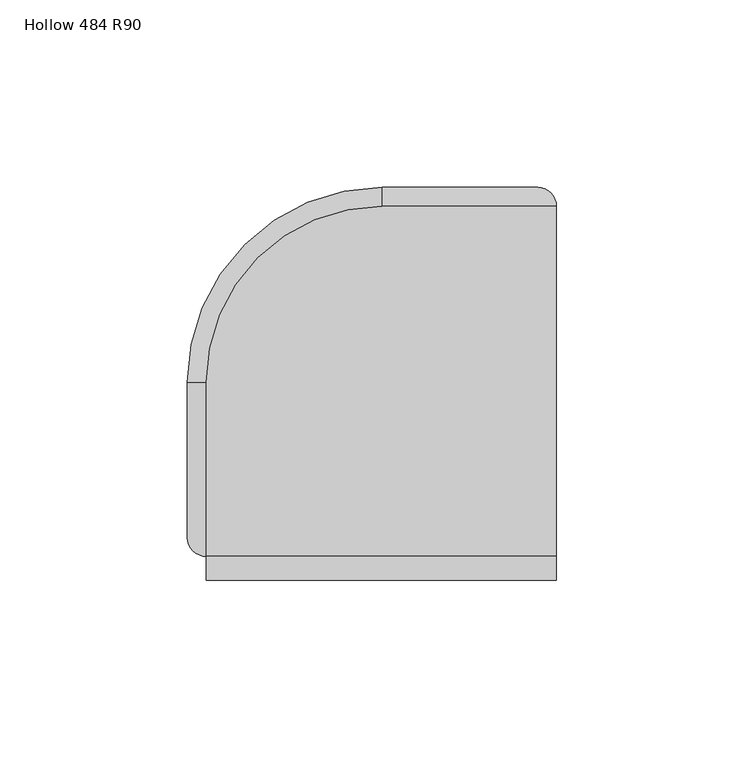
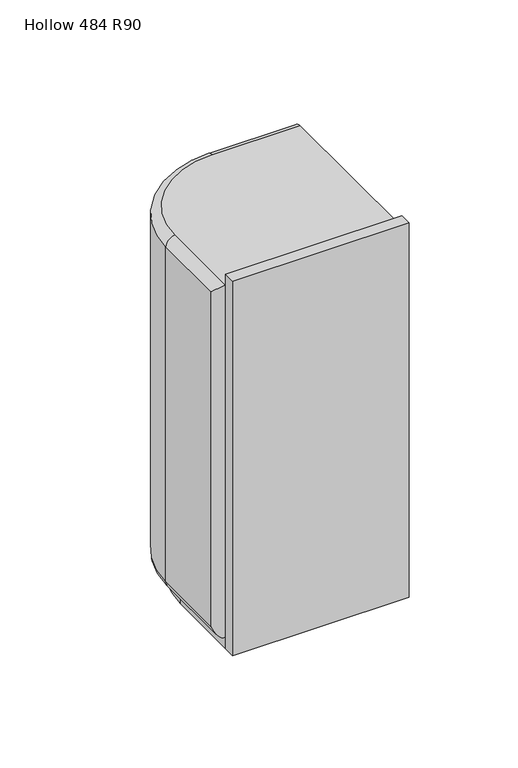
"""IFC4 building model written with IfcOpenShell, lengths in millimetres: plate geometry, Hollow 484 R90."""

from ifc_helpers import new_model, si_unit, point, frame, frame_2d, origin, place, context, project, spatial, polyline, circle_curve, ellipse_curve, trimmed, segment, composite_curve, outline, extrude, source, transform, mapped, element, save
from ifc_brep_helpers import plane_surface, cylinder_surface, revolved_surface, advanced_brep


def hollow_484_r90_ac2a7d80(model_context):
    return source(origin(), model_context, "Body", "SolidModel", [
        extrude(outline(polyline([(47.5999998, -49.2), (47.5999998, -55.6), (-45.8000002, -55.6), (-45.8000002, -49.2), (47.5999998, -49.2)])), frame((0.0, 0.0, -6.4), z_axis=(0.0, 0.0, 1.0), x_axis=(1.0, 0.0, 0.0)), (0.0, 0.0, 1.0), 209.6),
        extrude(outline(composite_curve([segment(trimmed(circle_curve(frame_2d((6.1999998, -7.778479)), 52.0), [point((-45.8000002, -7.778479))], [point((6.1999998, 44.221521))], False, "CARTESIAN"), True, "CONTINUOUS"), segment(polyline([(6.1999998, 44.221521), (47.5999998, 44.221521), (47.5999998, -49.2), (-45.8000002, -49.2), (-45.8000002, -7.778479)]), True, "CONTINUOUS")], self_intersect=False)), frame((0.0, 0.0, -6.4), z_axis=(0.0, 0.0, 1.0), x_axis=(1.0, 0.0, 0.0)), (0.0, 0.0, 1.0), 6.4),
        advanced_brep(
        [(-45.8000002, -49.2, 197.0), (47.5999998, -49.2, 197.0), (47.5999998, 44.2, 197.0), (1.1999998, 44.2, 197.0), (-45.8000002, -2.8, 197.0), (47.5999998, 44.2, 0.0), (47.5999998, -49.2, 0.0), (-45.8000002, -49.2, 0.0), (-45.8000002, -2.8, 0.0), (1.1999998, 44.2, 0.0), (1.1999998, 49.2, 4.9999958), (1.1999998, 49.2, 192.0), (42.5999998, 49.2, 192.0), (42.5999998, 49.2, 5.0), (-50.8000002, -2.8, 192.0000042), (-50.8000002, -2.8, 5.0), (-50.8000002, -44.2, 5.0), (-50.8000002, -44.2, 192.0)],
        [
            (0, 1),
            (1, 2),
            (2, 3),
            (3, 4, circle_curve(frame((1.1999998, -2.8, 197.0), z_axis=(0.0, 0.0, 1.0), x_axis=(0.0, 1.0, 0.0)), 47.0)),
            (4, 0),
            (5, 6),
            (6, 7),
            (7, 8),
            (8, 9, circle_curve(frame((1.1999998, -2.8, 0.0), z_axis=(0.0, 0.0, -1.0), x_axis=(-1.0, 0.0, 0.0)), 47.0)),
            (9, 5),
            (6, 1),
            (0, 7),
            (5, 2),
            (10, 11),
            (11, 12),
            (12, 13),
            (13, 10),
            (14, 15),
            (15, 16),
            (16, 17),
            (17, 14),
            (14, 11, circle_curve(frame((1.1999998, -2.8, 192.0), z_axis=(0.0, 0.0, -1.0), x_axis=(1.0, 0.0, 0.0)), 52.0)),
            (10, 15, circle_curve(frame((1.1999998, -2.8, 5.0), z_axis=(0.0, 0.0, 1.0), x_axis=(1.0, 0.0, 0.0)), 52.0)),
            (15, 8, circle_curve(frame((-45.8000002, -2.8, 5.0), z_axis=(0.0, -1.0, 0.0), x_axis=(-1.0, 0.0, 0.0)), 5.0)),
            (7, 16, ellipse_curve(frame((-45.8000002, -44.2, 5.0), z_axis=(0.0, 0.7071067811865475, -0.7071067811865475), x_axis=(0.0, 0.7071067811865476, 0.7071067811865474)), 7.0710678, 5.0)),
            (10, 9, circle_curve(frame((1.1999998, 44.2, 5.0), z_axis=(-1.0, 0.0, 0.0), x_axis=(0.0, 1.0, 0.0)), 5.0)),
            (13, 5, ellipse_curve(frame((42.5999998, 44.2, 5.0), z_axis=(-0.7071067811865475, 0.0, -0.7071067811865475), x_axis=(0.7071067811865476, 0.0, -0.7071067811865474)), 7.0710678, 5.0)),
            (12, 2, ellipse_curve(frame((42.5999998, 44.2, 192.0), z_axis=(0.7071067811865475, 0.0, -0.7071067811865475), x_axis=(0.7071067811865474, 0.0, 0.7071067811865476)), 7.0710678, 5.0)),
            (11, 3, circle_curve(frame((1.1999998, 44.2, 192.0), z_axis=(1.0, 0.0, 0.0), x_axis=(0.0, 1.0, 0.0)), 5.0)),
            (14, 4, circle_curve(frame((-45.8000002, -2.8, 192.0), z_axis=(0.0, 1.0, 0.0), x_axis=(-1.0, 0.0, 0.0)), 5.0)),
            (17, 0, ellipse_curve(frame((-45.8000002, -44.2, 192.0), z_axis=(0.0, 0.7071067811865475, 0.7071067811865475), x_axis=(0.0, -0.7071067811865476, 0.7071067811865474)), 7.0710678, 5.0)),
        ],
        [
            plane_surface(frame((-50.8000002, -49.2, 197.0), z_axis=(0.0, 0.0, 1.0), x_axis=(1.0, 0.0, 0.0))),
            plane_surface(frame((-50.8000002, -49.2, 0.0), z_axis=(0.0, 0.0, -1.0), x_axis=(-1.0, 0.0, 0.0))),
            plane_surface(frame((-50.8000002, -49.2, 197.0), z_axis=(0.0, -1.0, 0.0), x_axis=(0.0, 0.0, -1.0))),
            plane_surface(frame((47.5999998, -49.2, 197.0), z_axis=(1.0, 0.0, 0.0), x_axis=(0.0, 0.0, -1.0))),
            plane_surface(frame((47.5999998, 49.2, 197.0), z_axis=(0.0, 1.0, 0.0), x_axis=(0.0, 0.0, -1.0))),
            plane_surface(frame((-50.8000002, -2.8, 197.0), z_axis=(-1.0, 0.0, 0.0), x_axis=(0.0, 0.0, -1.0))),
            cylinder_surface(frame((1.1999998, -2.8, 0.0), z_axis=(0.0, 0.0, 1.0), x_axis=(1.0, 0.0, 0.0)), 52.0),
            cylinder_surface(frame((-45.8000002, -49.2, 5.0), z_axis=(0.0, 1.0, 0.0), x_axis=(-1.0, 0.0, 0.0)), 5.0),
            revolved_surface(trimmed(ellipse_curve(frame((-45.8000002, -2.8, 5.0), z_axis=(0.0, -1.0, 0.0), x_axis=(-1.0, 0.0, 0.0)), 5.0, 5.0), [point((-50.8000002, -2.8, 5.0))], [point((-45.8000002, -2.8, 0.0))], True, "CARTESIAN"), (1.1999998, -2.8, 0.0), (0.0, 0.0, -1.0)),
            cylinder_surface(frame((1.1999998, 44.2, 5.0), z_axis=(1.0, 0.0, 0.0), x_axis=(0.0, 1.0, 0.0)), 5.0),
            cylinder_surface(frame((42.5999998, 44.2, 0.0), z_axis=(0.0, 0.0, 1.0), x_axis=(0.0, 1.0, 0.0)), 5.0),
            cylinder_surface(frame((47.5999998, 44.2, 192.0), z_axis=(-1.0, 0.0, 0.0), x_axis=(0.0, 1.0, 0.0)), 5.0),
            revolved_surface(trimmed(ellipse_curve(frame((1.1999998, 44.2, 192.0), z_axis=(1.0, 0.0, 0.0), x_axis=(0.0, 1.0, 0.0)), 5.0, 5.0), [point((1.1999998, 49.2, 192.0))], [point((1.1999998, 44.2, 197.0))], True, "CARTESIAN"), (1.1999998, -2.8, 197.0), (0.0, 0.0, 1.0)),
            cylinder_surface(frame((-45.8000002, -2.8, 192.0), z_axis=(0.0, -1.0, 0.0), x_axis=(-1.0, 0.0, 0.0)), 5.0),
            cylinder_surface(frame((-45.8000002, -44.2, 197.0), z_axis=(0.0, 0.0, -1.0), x_axis=(-1.0, 0.0, 0.0)), 5.0),
        ],
        [
            (0, [[1, 2, 3, 4, 5]]),
            (1, [[6, 7, 8, 9, 10]]),
            (2, [[11, -1, 12, -7]]),
            (3, [[-11, -6, 13, -2]]),
            (4, [[14, 15, 16, 17]]),
            (5, [[18, 19, 20, 21]]),
            (6, [[-18, 22, -14, 23]]),
            (7, [[24, -8, 25, -19]]),
            (8, [[-24, -23, 26, -9]]),
            (9, [[-26, -17, 27, -10]]),
            (10, [[-27, -16, 28, -13]]),
            (11, [[-28, -15, 29, -3]]),
            (12, [[-29, -22, 30, -4]]),
            (13, [[-30, -21, 31, -5]]),
            (14, [[-25, -12, -31, -20]]),
        ],
    ),
    ])


if __name__ == "__main__":
    model = new_model("IFC4")
    model_context = context("Model", 3, world=origin())
    ifc_project = project(units=[si_unit("LENGTHUNIT", "METRE", prefix="MILLI")], contexts=[model_context])
    site = spatial("IfcSite", under=ifc_project)
    building = spatial("IfcBuilding", under=site)
    placement = place(None, origin())
    hollow_484_r90_shape = hollow_484_r90_ac2a7d80(model_context)
    element("IfcPlate", 1, ObjectType="Hollow 484 R90", at=placement, inside=building, context=model_context, shape_type="MappedRepresentation", body=[
        mapped(hollow_484_r90_shape, transform((0.0, 0.0, 0.0), x_axis=(1.0, 0.0, 0.0), y_axis=(0.0, 1.0, 0.0), z_axis=(0.0, 0.0, 1.0))),
    ])
    save(model, "model.ifc")
